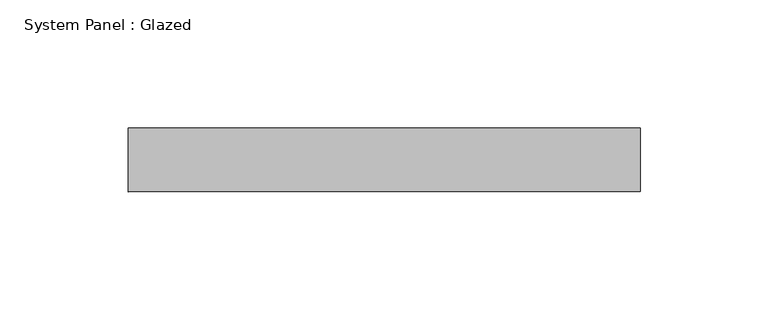
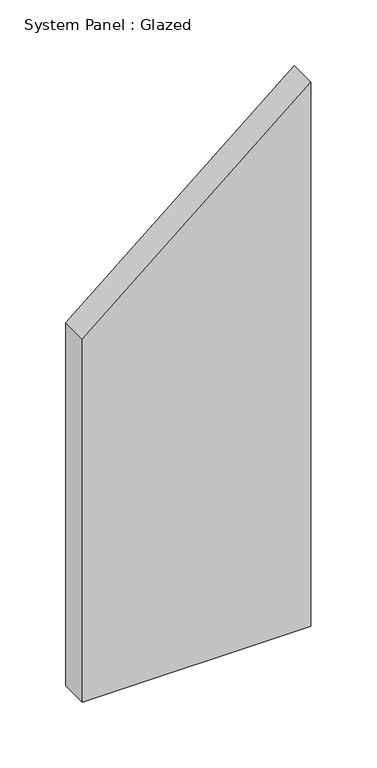
"""IFC4 building model written with IfcOpenShell, lengths in millimetres: plate geometry, System Panel : Glazed."""

from ifc_helpers import new_model, si_unit, frame, origin, place, context, project, spatial, polyline, outline, extrude, source, transform, mapped, element, save


def system_panel_glazed_1a584c3e(model_context):
    return source(origin(), model_context, "Body", "SweptSolid", [
        extrude(outline(polyline([(0.0, -100.0), (0.0, 100.0), (503.459779, 100.0), (335.6398527, -100.0), (0.0, -100.0)])), frame((0.0, 24.5, 0.0), z_axis=(0.0, 1.0, 0.0), x_axis=(0.0, 0.0, 1.0)), (0.0, 0.0, 1.0), 25.0),
    ])


if __name__ == "__main__":
    model = new_model("IFC4")
    model_context = context("Model", 3, world=origin())
    ifc_project = project(units=[si_unit("LENGTHUNIT", "METRE", prefix="MILLI")], contexts=[model_context])
    site = spatial("IfcSite", under=ifc_project)
    building = spatial("IfcBuilding", under=site)
    placement = place(None, origin())
    system_panel_glazed_shape = system_panel_glazed_1a584c3e(model_context)
    element("IfcPlate", 1, ObjectType="System Panel : Glazed", at=placement, inside=building, context=model_context, shape_type="MappedRepresentation", body=[
        mapped(system_panel_glazed_shape, transform((0.0, 0.0, 0.0), x_axis=(1.0, 0.0, 0.0), y_axis=(0.0, 1.0, 0.0), z_axis=(0.0, 0.0, 1.0))),
    ])
    save(model, "model.ifc")
